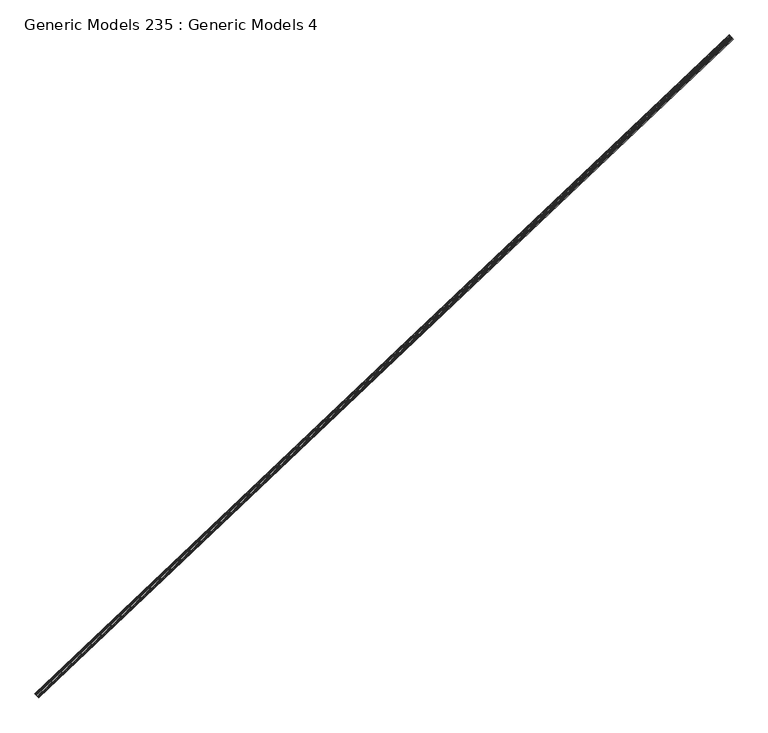
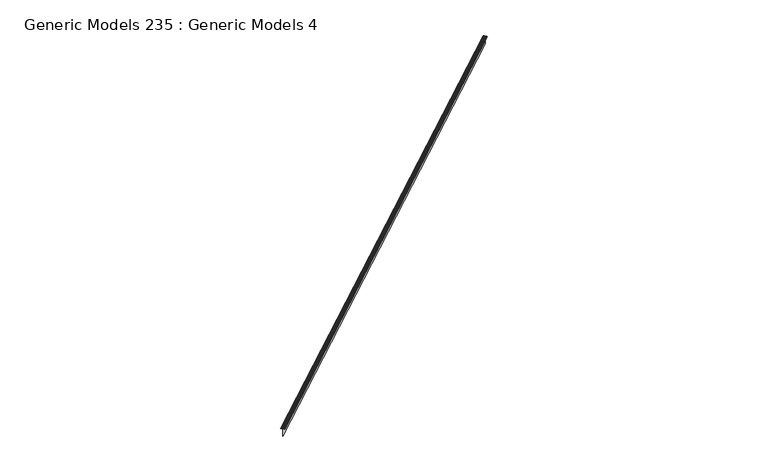
"""IFC4 building model written with IfcOpenShell, lengths in millimetres: proxy geometry, Generic Models 235 : Generic Models 4."""

from ifc_helpers import new_model, si_unit, point, frame, frame_2d, origin, place, context, project, spatial, polyline, circle_curve, trimmed, segment, composite_curve, outline, extrude, source, transform, mapped, element, save


def generic_models_235_generic_models_4_363d632f(model_context):
    return source(origin(), model_context, "Body", "SweptSolid", [
        extrude(outline(composite_curve([segment(polyline([(0.2907612, -20.2989113), (2.0904889, -16.9994106)]), True, "CONTINUOUS"), segment(trimmed(circle_curve(frame_2d((0.0, -15.859144)), 2.38125), [point((2.0904889, -16.9994106))], [point((2.38125, -15.859144))], True, "CARTESIAN"), True, "CONTINUOUS"), segment(polyline([(2.38125, -15.859144), (2.38125, -12.4158864)]), True, "CONTINUOUS"), segment(trimmed(circle_curve(frame_2d((-3.175, -12.4158864)), 5.55625), [point((2.38125, -12.4158864))], [point((1.9319996, -10.2271722))], True, "CARTESIAN"), True, "CONTINUOUS"), segment(polyline([(1.9319996, -10.2271722), (0.1925359, -6.1684237)]), True, "CONTINUOUS"), segment(trimmed(circle_curve(frame_2d((2.38125, -5.2304033)), 2.38125), [point((0.1925359, -6.1684237))], [point((0.0, -5.2304033))], False, "CARTESIAN"), True, "CONTINUOUS"), segment(polyline([(0.0, -5.2304033), (0.0, -2.7781249), (-0.79375, -2.38125), (-7.14375, -2.38125), (-7.8241071, -1.5874999), (-105.965625, -1.5874999), (-107.15625, 0.0), (-105.965625, 1.5875), (-7.8241071, 1.5875), (-7.14375, 2.3812501), (-0.79375, 2.3812501), (0.0, 2.778125), (0.0, 5.2304035)]), True, "CONTINUOUS"), segment(trimmed(circle_curve(frame_2d((2.38125, 5.2304035)), 2.38125), [point((0.0, 5.2304035))], [point((0.1925359, 6.1684237))], False, "CARTESIAN"), True, "CONTINUOUS"), segment(polyline([(0.1925359, 6.1684237), (1.9319996, 10.2271724)]), True, "CONTINUOUS"), segment(trimmed(circle_curve(frame_2d((-3.175, 12.4158865)), 5.55625), [point((1.9319996, 10.2271724))], [point((2.38125, 12.4158865))], True, "CARTESIAN"), True, "CONTINUOUS"), segment(polyline([(2.38125, 12.4158865), (2.38125, 15.859144)]), True, "CONTINUOUS"), segment(trimmed(circle_curve(frame_2d((0.0, 15.859144)), 2.38125), [point((2.38125, 15.859144))], [point((2.0904889, 16.9994106))], True, "CARTESIAN"), True, "CONTINUOUS"), segment(polyline([(2.0904889, 16.9994106), (0.2907612, 20.2989114)]), True, "CONTINUOUS"), segment(trimmed(circle_curve(frame_2d((2.38125, 21.439178)), 2.38125), [point((0.2907612, 20.2989114))], [point((0.0, 21.439178))], False, "CARTESIAN"), True, "CONTINUOUS"), segment(polyline([(0.0, 21.439178), (0.0, 25.4000001), (0.79375, 25.4000001), (0.79375, 21.439178)]), True, "CONTINUOUS"), segment(trimmed(circle_curve(frame_2d((2.38125, 21.439178)), 1.5875), [point((0.79375, 21.439178))], [point((0.9875908, 20.6790003))], True, "CARTESIAN"), True, "CONTINUOUS"), segment(polyline([(0.9875908, 20.6790003), (2.7873185, 17.3794996)]), True, "CONTINUOUS"), segment(trimmed(circle_curve(frame_2d((0.0, 15.859144)), 3.175), [point((2.7873185, 17.3794996))], [point((3.175, 15.859144))], False, "CARTESIAN"), True, "CONTINUOUS"), segment(polyline([(3.175, 15.859144), (3.175, 12.4158865)]), True, "CONTINUOUS"), segment(trimmed(circle_curve(frame_2d((-3.175, 12.4158865)), 6.35), [point((3.175, 12.4158865))], [point((2.661571, 9.9144989))], False, "CARTESIAN"), True, "CONTINUOUS"), segment(polyline([(2.661571, 9.9144989), (0.79375, 5.5562501), (0.79375, 4.7625001)]), True, "CONTINUOUS"), segment(trimmed(circle_curve(frame_2d((2.3688477, 1.8355469)), 3.3238513), [point((0.79375, 4.7625001))], [point((2.38125, 5.159375))], False, "CARTESIAN"), True, "CONTINUOUS"), segment(polyline([(2.38125, 5.159375), (3.175, 3.571875), (3.175, -3.571875), (2.38125, -5.1593749)]), True, "CONTINUOUS"), segment(trimmed(circle_curve(frame_2d((2.3688477, -1.8355468)), 3.3238513), [point((2.38125, -5.1593749))], [point((0.79375, -4.7624999))], False, "CARTESIAN"), True, "CONTINUOUS"), segment(polyline([(0.79375, -4.7624999), (0.79375, -5.55625), (2.661571, -9.9144988)]), True, "CONTINUOUS"), segment(trimmed(circle_curve(frame_2d((-3.175, -12.4158864)), 6.35), [point((2.661571, -9.9144988))], [point((3.175, -12.4158864))], False, "CARTESIAN"), True, "CONTINUOUS"), segment(polyline([(3.175, -12.4158864), (3.175, -15.859144)]), True, "CONTINUOUS"), segment(trimmed(circle_curve(frame_2d((0.0, -15.859144)), 3.175), [point((3.175, -15.859144))], [point((2.7873185, -17.3794995))], False, "CARTESIAN"), True, "CONTINUOUS"), segment(polyline([(2.7873185, -17.3794995), (0.9875908, -20.6790002)]), True, "CONTINUOUS"), segment(trimmed(circle_curve(frame_2d((2.38125, -21.4391779)), 1.5875), [point((0.9875908, -20.6790002))], [point((0.79375, -21.4391779))], True, "CARTESIAN"), True, "CONTINUOUS"), segment(polyline([(0.79375, -21.4391779), (0.79375, -25.4), (0.0, -25.4), (0.0, -21.4391779)]), True, "CONTINUOUS"), segment(trimmed(circle_curve(frame_2d((2.38125, -21.4391779)), 2.38125), [point((0.0, -21.4391779))], [point((0.2907612, -20.2989113))], False, "CARTESIAN"), True, "CONTINUOUS")], self_intersect=False)), frame((109912.5051625, 47346.5075542, 18014.6662102), z_axis=(0.7253743710122164, 0.6883545756938292, 0.0), x_axis=(0.0, 0.0, 1.0)), (0.0, 0.0, 1.0), 8321.675),
    ])


if __name__ == "__main__":
    model = new_model("IFC4")
    model_context = context("Model", 3, world=origin())
    ifc_project = project(units=[si_unit("LENGTHUNIT", "METRE", prefix="MILLI")], contexts=[model_context])
    site = spatial("IfcSite", under=ifc_project)
    building = spatial("IfcBuilding", under=site)
    placement = place(None, origin())
    generic_models_235_generic_models_4_shape = generic_models_235_generic_models_4_363d632f(model_context)
    element("IfcBuildingElementProxy", 1, Name="Generic Models 235 : Generic Models 4", ObjectType="Generic Models 235 : Generic Models 4", at=placement, inside=building, context=model_context, shape_type="MappedRepresentation", body=[
        mapped(generic_models_235_generic_models_4_shape, transform((0.0, 0.0, 0.0), x_axis=(1.0, 0.0, 0.0), y_axis=(0.0, 1.0, 0.0), z_axis=(0.0, 0.0, 1.0))),
    ])
    save(model, "model.ifc")
